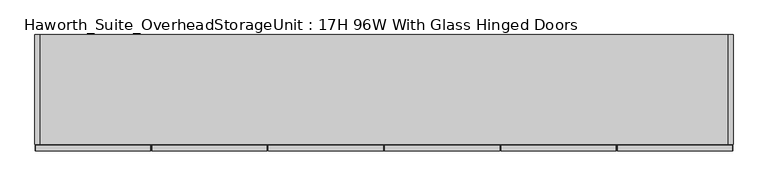
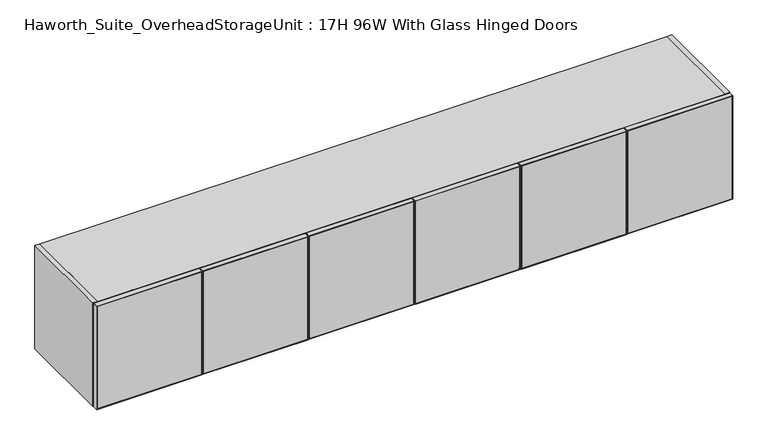
"""IFC4 building model written with IfcOpenShell, lengths in millimetres: furniture geometry, Haworth_Suite_OverheadStorageUnit : 17H 96W With Glass Hinged Doors."""

import ifcopenshell
import ifcopenshell.guid

model = None  # the IFC model being written
_history = None  # IfcOwnerHistory: only IFC2X3 demands one
_inside = {}  # id of a spatial element -> (the spatial element, [elements in it])
_under = {}  # id of a project, library or spatial element -> (it, [spatial elements below it])
_declared = {}  # id of a project -> (the project, [libraries it declares])
_typed = {}  # id of a type object -> (the type object, [elements of that type])
_made_of = {}  # id of a material, layer set ... -> (it, [elements and type objects made of it])


def new_model(schema):
    """Start an empty IFC model of exactly this schema.

    Asked for "IFC4X3", IfcOpenShell would pick the latest addendum, in which some entities
    have other attributes; the version numbers below select the first issue.
    IFC2X3 requires an IfcOwnerHistory on every rooted entity: one is made here for all.
    """
    global model, _history
    if schema == "IFC4X3":
        model = ifcopenshell.file(schema_version=(4, 3, 0, 0))
    else:
        model = ifcopenshell.file(schema=schema)
    _inside.clear()
    _under.clear()
    _declared.clear()
    _typed.clear()
    _made_of.clear()
    _history = None
    if model.schema == "IFC2X3":
        org = make("IfcOrganization", Name="unknown")
        user = make(
            "IfcPersonAndOrganization",
            ThePerson=make("IfcPerson", FamilyName="unknown"),
            TheOrganization=org,
        )
        app = make(
            "IfcApplication",
            ApplicationDeveloper=org,
            Version="unknown",
            ApplicationFullName="unknown",
            ApplicationIdentifier="unknown",
        )
        _history = make(
            "IfcOwnerHistory",
            OwningUser=user,
            OwningApplication=app,
            ChangeAction="ADDED",
            CreationDate=0,
        )
    return model


def make(cls, **values):
    """One entity of the class cls with the attributes given. An attribute that is None is left unset."""
    return model.create_entity(
        cls, **{name: value for name, value in values.items() if value is not None}
    )


def rooted(cls, **values):
    """An entity with a GlobalId (a new one), such as an element, a storey or a relation."""
    return make(cls, GlobalId=ifcopenshell.guid.new(), OwnerHistory=_history, **values)


def si_unit(unit_type, name, prefix=None):
    """IfcSIUnit, for example si_unit("LENGTHUNIT", "METRE", prefix="MILLI")."""
    return make("IfcSIUnit", UnitType=unit_type, Prefix=prefix, Name=name)


def assignment(units):
    """IfcUnitAssignment: the units of a project."""
    return None if units is None else make("IfcUnitAssignment", Units=units)


def point(xyz):
    """IfcCartesianPoint."""
    return None if xyz is None else make("IfcCartesianPoint", Coordinates=xyz)


def direction(xyz):
    """IfcDirection."""
    return None if xyz is None else make("IfcDirection", DirectionRatios=xyz)


def frame(location, z_axis=None, x_axis=None):
    """IfcAxis2Placement3D, a coordinate frame: its origin and axes. An axis left out is left unset."""
    return make(
        "IfcAxis2Placement3D",
        Location=point(location),
        Axis=direction(z_axis),
        RefDirection=direction(x_axis),
    )


def origin():
    """The frame at (0, 0, 0) with its axes left unset."""
    return frame((0.0, 0.0, 0.0))


def place(relative_to, where):
    """IfcLocalPlacement: puts the frame where relative to a parent placement (None: the world)."""
    return make(
        "IfcLocalPlacement", PlacementRelTo=relative_to, RelativePlacement=where
    )


def context(
    kind, dimensions, precision=None, world=None, true_north=None, identifier=None
):
    """IfcGeometricRepresentationContext, for example the 3D "Model" context."""
    return make(
        "IfcGeometricRepresentationContext",
        ContextIdentifier=identifier,
        ContextType=kind,
        CoordinateSpaceDimension=dimensions,
        Precision=precision,
        WorldCoordinateSystem=world,
        TrueNorth=true_north,
    )


def project(units=None, contexts=None):
    """IfcProject with its units and contexts."""
    return rooted(
        "IfcProject",
        Name="project",
        RepresentationContexts=contexts,
        UnitsInContext=assignment(units),
    )


def spatial(cls, under=None, at=None, **own):
    """A site, building, storey or space (cls), placed at a placement, below another one or the project."""
    s = rooted(cls, ObjectPlacement=at, **own)
    if under is not None:
        _under.setdefault(under.id(), (under, []))[1].append(s)
    return s


def polyline(points):
    """IfcPolyline through the points."""
    return make("IfcPolyline", Points=[point(p) for p in points])


def outline(outer, holes=None, kind="AREA"):
    """IfcArbitraryClosedProfileDef: a profile drawn as a closed curve; with holes, ...WithVoids."""
    if holes is None:
        return make("IfcArbitraryClosedProfileDef", ProfileType=kind, OuterCurve=outer)
    return make(
        "IfcArbitraryProfileDefWithVoids",
        ProfileType=kind,
        OuterCurve=outer,
        InnerCurves=holes,
    )


def extrude(swept, where, along, depth):
    """IfcExtrudedAreaSolid: the profile swept, set in the frame where, extruded along a direction by depth."""
    return make(
        "IfcExtrudedAreaSolid",
        SweptArea=swept,
        Position=where,
        ExtrudedDirection=direction(along),
        Depth=depth,
    )


def shape(context_of_items, identifier, shape_type, items):
    """IfcShapeRepresentation: the items that make up one representation, for example the "Body"."""
    return make(
        "IfcShapeRepresentation",
        ContextOfItems=context_of_items,
        RepresentationIdentifier=identifier,
        RepresentationType=shape_type,
        Items=items,
    )


def source(mapping_origin, context_of_items, identifier, shape_type, items):
    """IfcRepresentationMap: a shape defined once, which mapped items show again and again."""
    return make(
        "IfcRepresentationMap",
        MappingOrigin=mapping_origin,
        MappedRepresentation=shape(context_of_items, identifier, shape_type, items),
    )


def transform(
    local_origin,
    x_axis=None,
    y_axis=None,
    z_axis=None,
    scale=None,
    scale2=None,
    scale3=None,
    uniform=True,
):
    """IfcCartesianTransformationOperator3D, or its non-uniform kind. x_axis, y_axis, z_axis: its Axis1, 2, 3."""
    if uniform:
        return make(
            "IfcCartesianTransformationOperator3D",
            Axis1=direction(x_axis),
            Axis2=direction(y_axis),
            LocalOrigin=point(local_origin),
            Scale=scale,
            Axis3=direction(z_axis),
        )
    return make(
        "IfcCartesianTransformationOperator3DnonUniform",
        Axis1=direction(x_axis),
        Axis2=direction(y_axis),
        LocalOrigin=point(local_origin),
        Scale=scale,
        Axis3=direction(z_axis),
        Scale2=scale2,
        Scale3=scale3,
    )


def mapped(mapping_source, mapping_target):
    """IfcMappedItem: shows the shape of a source again, moved by a transform."""
    return make(
        "IfcMappedItem", MappingSource=mapping_source, MappingTarget=mapping_target
    )


def made_of(thing, what):
    """Note that an element or type object is made of a material, layer set ...; save() writes the relation."""
    if what is not None:
        _made_of.setdefault(what.id(), (what, []))[1].append(thing)
    return thing


def element(
    cls,
    number,
    at=None,
    inside=None,
    cuts=None,
    type_object=None,
    material=None,
    context=None,
    identifier="Body",
    shape_type=None,
    held_by="IfcProductDefinitionShape",
    body=None,
    shapes=None,
    **own,
):
    """One element of the class cls, such as IfcWall. Its Tag is "e" and its number.

    at: its placement. inside: the storey or other place that contains it. cuts: it is an
    opening in that element (IfcRelVoidsElement). A single representation is given by context,
    identifier, shape_type and body (its items); several are given by shapes. held_by: the class
    of the entity that holds the representations. save() writes the other relations.
    """
    e = rooted(cls, Tag="e%d" % number, ObjectPlacement=at, **own)
    if body is not None:
        shapes = [shape(context, identifier, shape_type, body)]
    if shapes is not None:
        e.Representation = make(held_by, Representations=shapes)
    if inside is not None:
        _inside.setdefault(inside.id(), (inside, []))[1].append(e)
    if cuts is not None:
        rooted(
            "IfcRelVoidsElement", RelatingBuildingElement=cuts, RelatedOpeningElement=e
        )
    if type_object is not None:
        _typed.setdefault(type_object.id(), (type_object, []))[1].append(e)
    return made_of(e, material)


def aggregate(whole, parts):
    """IfcRelAggregates: a whole, such as a stair, and the parts it consists of."""
    return rooted("IfcRelAggregates", RelatingObject=whole, RelatedObjects=parts)


def save(model, path):
    """Write the relations noted so far, then the file.

    IfcRelAggregates (storeys below a building ...), IfcRelContainedInSpatialStructure (elements
    in a storey), IfcRelDefinesByType, IfcRelAssociatesMaterial and IfcRelDeclares: one each for
    every whole, place, type object, material and project.
    """
    for whole, parts in _under.values():
        aggregate(whole, parts)
    for where, things in _inside.values():
        rooted(
            "IfcRelContainedInSpatialStructure",
            RelatedElements=things,
            RelatingStructure=where,
        )
    for kind, things in _typed.values():
        rooted("IfcRelDefinesByType", RelatedObjects=things, RelatingType=kind)
    for what, things in _made_of.values():
        rooted("IfcRelAssociatesMaterial", RelatedObjects=things, RelatingMaterial=what)
    for by, libraries in _declared.values():
        rooted("IfcRelDeclares", RelatingContext=by, RelatedDefinitions=libraries)
    model.write(path)


def haworth_suite_overheadstorageunit_17h_96w_with_glass_hinged_d23708f1(model_context):
    return source(origin(), model_context, "Body", "SweptSolid", [
        extrude(outline(polyline([(1651.0, -11.1125), (1231.9, -11.1125), (1233.4875, -9.525), (1649.4125, -9.525), (1651.0, -11.1125)])), frame((0.0, -419.1, 0.0), z_axis=(0.0, 1.0, 0.0), x_axis=(0.0, 0.0, 1.0)), (0.0, 0.0, 1.0), 19.05),
        extrude(outline(polyline([(1651.0, 392.1125), (1649.4125, 390.525), (1233.4875, 390.525), (1231.9, 392.1125), (1651.0, 392.1125)])), frame((0.0, -419.1, 0.0), z_axis=(0.0, 1.0, 0.0), x_axis=(0.0, 0.0, 1.0)), (0.0, 0.0, 1.0), 19.05),
        extrude(outline(polyline([(1649.4125, -9.525), (1649.4125, 390.525), (1651.0, 392.1125), (1651.0, -11.1125), (1649.4125, -9.525)])), frame((0.0, -419.1, 0.0), z_axis=(0.0, 1.0, 0.0), x_axis=(0.0, 0.0, 1.0)), (0.0, 0.0, 1.0), 19.05),
        extrude(outline(polyline([(1233.4875, -9.525), (1231.9, -11.1125), (1231.9, 392.1125), (1233.4875, 390.525), (1233.4875, -9.525)])), frame((0.0, -419.1, 0.0), z_axis=(0.0, 1.0, 0.0), x_axis=(0.0, 0.0, 1.0)), (0.0, 0.0, 1.0), 19.05),
        extrude(outline(polyline([(390.525, -400.84375), (390.525, -418.30625), (-9.525, -418.30625), (-9.525, -400.84375), (390.525, -400.84375)])), frame((0.0, 0.0, 1233.4875), z_axis=(0.0, 0.0, 1.0), x_axis=(1.0, 0.0, 0.0)), (0.0, 0.0, 1.0), 415.925),
        extrude(outline(polyline([(1651.0, -14.2875), (1649.4125, -15.875), (1233.4875, -15.875), (1231.9, -14.2875), (1651.0, -14.2875)])), frame((0.0, -419.1, 0.0), z_axis=(0.0, 1.0, 0.0), x_axis=(0.0, 0.0, 1.0)), (0.0, 0.0, 1.0), 19.05),
        extrude(outline(polyline([(1651.0, -417.5125), (1231.9, -417.5125), (1233.4875, -415.925), (1649.4125, -415.925), (1651.0, -417.5125)])), frame((0.0, -419.1, 0.0), z_axis=(0.0, 1.0, 0.0), x_axis=(0.0, 0.0, 1.0)), (0.0, 0.0, 1.0), 19.05),
        extrude(outline(polyline([(1649.4125, -15.875), (1651.0, -14.2875), (1651.0, -417.5125), (1649.4125, -415.925), (1649.4125, -15.875)])), frame((0.0, -419.1, 0.0), z_axis=(0.0, 1.0, 0.0), x_axis=(0.0, 0.0, 1.0)), (0.0, 0.0, 1.0), 19.05),
        extrude(outline(polyline([(1233.4875, -15.875), (1233.4875, -415.925), (1231.9, -417.5125), (1231.9, -14.2875), (1233.4875, -15.875)])), frame((0.0, -419.1, 0.0), z_axis=(0.0, 1.0, 0.0), x_axis=(0.0, 0.0, 1.0)), (0.0, 0.0, 1.0), 19.05),
        extrude(outline(polyline([(-415.925, -400.84375), (-15.875, -400.84375), (-15.875, -418.30625), (-415.925, -418.30625), (-415.925, -400.84375)])), frame((0.0, 0.0, 1233.4875), z_axis=(0.0, 0.0, 1.0), x_axis=(1.0, 0.0, 0.0)), (0.0, 0.0, 1.0), 415.925),
        extrude(outline(polyline([(1651.0, 801.6875), (1231.9, 801.6875), (1233.4875, 803.275), (1649.4125, 803.275), (1651.0, 801.6875)])), frame((0.0, -419.1, 0.0), z_axis=(0.0, 1.0, 0.0), x_axis=(0.0, 0.0, 1.0)), (0.0, 0.0, 1.0), 19.05),
        extrude(outline(polyline([(1651.0, 1204.9125), (1649.4125, 1203.325), (1233.4875, 1203.325), (1231.9, 1204.9125), (1651.0, 1204.9125)])), frame((0.0, -419.1, 0.0), z_axis=(0.0, 1.0, 0.0), x_axis=(0.0, 0.0, 1.0)), (0.0, 0.0, 1.0), 19.05),
        extrude(outline(polyline([(1649.4125, 803.275), (1649.4125, 1203.325), (1651.0, 1204.9125), (1651.0, 801.6875), (1649.4125, 803.275)])), frame((0.0, -419.1, 0.0), z_axis=(0.0, 1.0, 0.0), x_axis=(0.0, 0.0, 1.0)), (0.0, 0.0, 1.0), 19.05),
        extrude(outline(polyline([(1233.4875, 803.275), (1231.9, 801.6875), (1231.9, 1204.9125), (1233.4875, 1203.325), (1233.4875, 803.275)])), frame((0.0, -419.1, 0.0), z_axis=(0.0, 1.0, 0.0), x_axis=(0.0, 0.0, 1.0)), (0.0, 0.0, 1.0), 19.05),
        extrude(outline(polyline([(1203.325, -400.84375), (1203.325, -418.30625), (803.275, -418.30625), (803.275, -400.84375), (1203.325, -400.84375)])), frame((0.0, 0.0, 1233.4875), z_axis=(0.0, 0.0, 1.0), x_axis=(1.0, 0.0, 0.0)), (0.0, 0.0, 1.0), 415.925),
        extrude(outline(polyline([(1651.0, 798.5125), (1649.4125, 796.925), (1233.4875, 796.925), (1231.9, 798.5125), (1651.0, 798.5125)])), frame((0.0, -419.1, 0.0), z_axis=(0.0, 1.0, 0.0), x_axis=(0.0, 0.0, 1.0)), (0.0, 0.0, 1.0), 19.05),
        extrude(outline(polyline([(1651.0, 395.2875), (1231.9, 395.2875), (1233.4875, 396.875), (1649.4125, 396.875), (1651.0, 395.2875)])), frame((0.0, -419.1, 0.0), z_axis=(0.0, 1.0, 0.0), x_axis=(0.0, 0.0, 1.0)), (0.0, 0.0, 1.0), 19.05),
        extrude(outline(polyline([(1649.4125, 796.925), (1651.0, 798.5125), (1651.0, 395.2875), (1649.4125, 396.875), (1649.4125, 796.925)])), frame((0.0, -419.1, 0.0), z_axis=(0.0, 1.0, 0.0), x_axis=(0.0, 0.0, 1.0)), (0.0, 0.0, 1.0), 19.05),
        extrude(outline(polyline([(1233.4875, 796.925), (1233.4875, 396.875), (1231.9, 395.2875), (1231.9, 798.5125), (1233.4875, 796.925)])), frame((0.0, -419.1, 0.0), z_axis=(0.0, 1.0, 0.0), x_axis=(0.0, 0.0, 1.0)), (0.0, 0.0, 1.0), 19.05),
        extrude(outline(polyline([(396.875, -400.84375), (796.925, -400.84375), (796.925, -418.30625), (396.875, -418.30625), (396.875, -400.84375)])), frame((0.0, 0.0, 1233.4875), z_axis=(0.0, 0.0, 1.0), x_axis=(1.0, 0.0, 0.0)), (0.0, 0.0, 1.0), 415.925),
        extrude(outline(polyline([(1651.0, -823.9125), (1231.9, -823.9125), (1233.4875, -822.325), (1649.4125, -822.325), (1651.0, -823.9125)])), frame((0.0, -419.1, 0.0), z_axis=(0.0, 1.0, 0.0), x_axis=(0.0, 0.0, 1.0)), (0.0, 0.0, 1.0), 19.05),
        extrude(outline(polyline([(1651.0, -420.6875), (1649.4125, -422.275), (1233.4875, -422.275), (1231.9, -420.6875), (1651.0, -420.6875)])), frame((0.0, -419.1, 0.0), z_axis=(0.0, 1.0, 0.0), x_axis=(0.0, 0.0, 1.0)), (0.0, 0.0, 1.0), 19.05),
        extrude(outline(polyline([(1649.4125, -822.325), (1649.4125, -422.275), (1651.0, -420.6875), (1651.0, -823.9125), (1649.4125, -822.325)])), frame((0.0, -419.1, 0.0), z_axis=(0.0, 1.0, 0.0), x_axis=(0.0, 0.0, 1.0)), (0.0, 0.0, 1.0), 19.05),
        extrude(outline(polyline([(1233.4875, -822.325), (1231.9, -823.9125), (1231.9, -420.6875), (1233.4875, -422.275), (1233.4875, -822.325)])), frame((0.0, -419.1, 0.0), z_axis=(0.0, 1.0, 0.0), x_axis=(0.0, 0.0, 1.0)), (0.0, 0.0, 1.0), 19.05),
        extrude(outline(polyline([(-422.275, -400.84375), (-422.275, -418.30625), (-822.325, -418.30625), (-822.325, -400.84375), (-422.275, -400.84375)])), frame((0.0, 0.0, 1233.4875), z_axis=(0.0, 0.0, 1.0), x_axis=(1.0, 0.0, 0.0)), (0.0, 0.0, 1.0), 415.925),
        extrude(outline(polyline([(1651.0, -827.0875), (1649.4125, -828.675), (1233.4875, -828.675), (1231.9, -827.0875), (1651.0, -827.0875)])), frame((0.0, -419.1, 0.0), z_axis=(0.0, 1.0, 0.0), x_axis=(0.0, 0.0, 1.0)), (0.0, 0.0, 1.0), 19.05),
        extrude(outline(polyline([(1651.0, -1230.3125), (1231.9, -1230.3125), (1233.4875, -1228.725), (1649.4125, -1228.725), (1651.0, -1230.3125)])), frame((0.0, -419.1, 0.0), z_axis=(0.0, 1.0, 0.0), x_axis=(0.0, 0.0, 1.0)), (0.0, 0.0, 1.0), 19.05),
        extrude(outline(polyline([(1649.4125, -828.675), (1651.0, -827.0875), (1651.0, -1230.3125), (1649.4125, -1228.725), (1649.4125, -828.675)])), frame((0.0, -419.1, 0.0), z_axis=(0.0, 1.0, 0.0), x_axis=(0.0, 0.0, 1.0)), (0.0, 0.0, 1.0), 19.05),
        extrude(outline(polyline([(1233.4875, -828.675), (1233.4875, -1228.725), (1231.9, -1230.3125), (1231.9, -827.0875), (1233.4875, -828.675)])), frame((0.0, -419.1, 0.0), z_axis=(0.0, 1.0, 0.0), x_axis=(0.0, 0.0, 1.0)), (0.0, 0.0, 1.0), 19.05),
        extrude(outline(polyline([(-1228.725, -400.84375), (-828.675, -400.84375), (-828.675, -418.30625), (-1228.725, -418.30625), (-1228.725, -400.84375)])), frame((0.0, 0.0, 1233.4875), z_axis=(0.0, 0.0, 1.0), x_axis=(1.0, 0.0, 0.0)), (0.0, 0.0, 1.0), 415.925),
        extrude(outline(polyline([(412.75, -31.75), (412.75, -393.7), (393.7, -393.7), (393.7, -31.75), (412.75, -31.75)])), frame((0.0, 0.0, 1270.0), z_axis=(0.0, 0.0, 1.0), x_axis=(1.0, 0.0, 0.0)), (0.0, 0.0, 1.0), 361.95),
        extrude(outline(polyline([(393.7, -31.75), (393.7, -393.7), (374.65, -393.7), (374.65, -31.75), (393.7, -31.75)])), frame((0.0, 0.0, 1270.0), z_axis=(0.0, 0.0, 1.0), x_axis=(1.0, 0.0, 0.0)), (0.0, 0.0, 1.0), 361.95),
        extrude(outline(polyline([(-400.05, -31.75), (-400.05, -393.7), (-419.1, -393.7), (-419.1, -31.75), (-400.05, -31.75)])), frame((0.0, 0.0, 1270.0), z_axis=(0.0, 0.0, 1.0), x_axis=(1.0, 0.0, 0.0)), (0.0, 0.0, 1.0), 361.95),
        extrude(outline(polyline([(-419.1, -31.75), (-419.1, -393.7), (-438.15, -393.7), (-438.15, -31.75), (-419.1, -31.75)])), frame((0.0, 0.0, 1270.0), z_axis=(0.0, 0.0, 1.0), x_axis=(1.0, 0.0, 0.0)), (0.0, 0.0, 1.0), 361.95),
        extrude(outline(polyline([(1187.45, -12.7), (1187.45, -396.875), (-1212.85, -396.875), (-1212.85, -12.7), (1187.45, -12.7)])), frame((0.0, 0.0, 1631.95), z_axis=(0.0, 0.0, 1.0), x_axis=(1.0, 0.0, 0.0)), (0.0, 0.0, 1.0), 19.05),
        extrude(outline(polyline([(1187.45, -12.7), (1187.45, -31.75), (-1212.85, -31.75), (-1212.85, -12.7), (1187.45, -12.7)])), frame((0.0, 0.0, 1231.9), z_axis=(0.0, 0.0, 1.0), x_axis=(1.0, 0.0, 0.0)), (0.0, 0.0, 1.0), 400.05),
        extrude(outline(polyline([(1187.45, -31.75), (1187.45, -396.875), (-1212.85, -396.875), (-1212.85, -31.75), (1187.45, -31.75)])), frame((0.0, 0.0, 1231.9), z_axis=(0.0, 0.0, 1.0), x_axis=(1.0, 0.0, 0.0)), (0.0, 0.0, 1.0), 38.1),
        extrude(outline(polyline([(-1212.85, -12.7), (-1212.85, -396.875), (-1231.9, -396.875), (-1231.9, -12.7), (-1212.85, -12.7)])), frame((0.0, 0.0, 1231.9), z_axis=(0.0, 0.0, 1.0), x_axis=(1.0, 0.0, 0.0)), (0.0, 0.0, 1.0), 419.1),
        extrude(outline(polyline([(1206.5, -396.875), (1187.45, -396.875), (1187.45, -12.7), (1206.5, -12.7), (1206.5, -396.875)])), frame((0.0, 0.0, 1231.9), z_axis=(0.0, 0.0, 1.0), x_axis=(1.0, 0.0, 0.0)), (0.0, 0.0, 1.0), 419.1),
    ])


if __name__ == "__main__":
    model = new_model("IFC4")
    model_context = context("Model", 3, world=origin())
    ifc_project = project(units=[si_unit("LENGTHUNIT", "METRE", prefix="MILLI")], contexts=[model_context])
    site = spatial("IfcSite", under=ifc_project)
    building = spatial("IfcBuilding", under=site)
    placement = place(None, origin())
    haworth_suite_overheadstorageunit_17h_96w_with_glass_hinged_shape = haworth_suite_overheadstorageunit_17h_96w_with_glass_hinged_d23708f1(model_context)
    element("IfcFurniture", 1, ObjectType="Haworth_Suite_OverheadStorageUnit : 17H 96W With Glass Hinged Doors", at=placement, inside=building, context=model_context, shape_type="MappedRepresentation", body=[
        mapped(haworth_suite_overheadstorageunit_17h_96w_with_glass_hinged_shape, transform((0.0, 0.0, 0.0), x_axis=(1.0, 0.0, 0.0), y_axis=(0.0, 1.0, 0.0), z_axis=(0.0, 0.0, 1.0))),
    ])
    save(model, "model.ifc")
